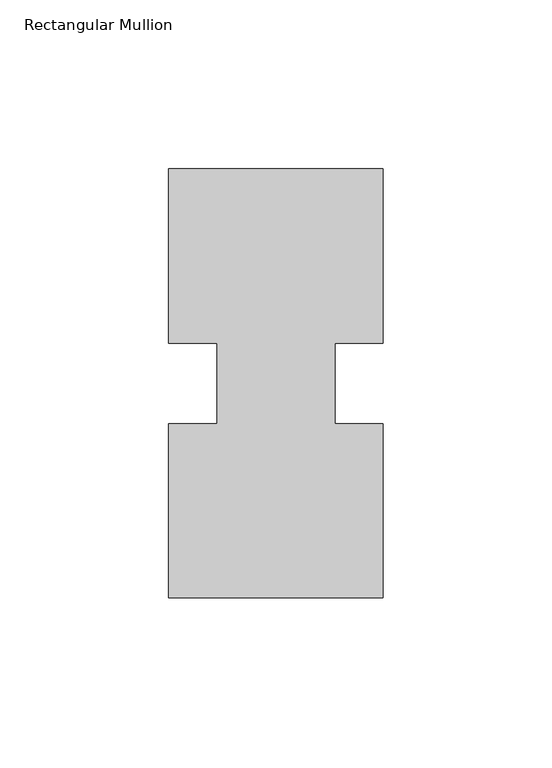
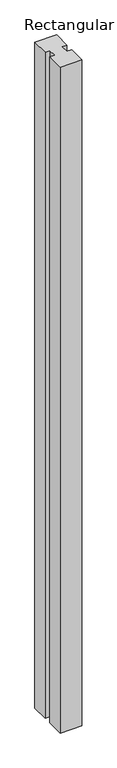
"""IFC4 building model written with IfcOpenShell, lengths in millimetres: member geometry, Rectangular Mullion."""

from ifc_helpers import new_model, si_unit, frame, origin, place, context, project, spatial, polyline, outline, extrude, source, transform, mapped, element, save


def rectangular_mullion_c07a2f49(model_context):
    return source(origin(), model_context, "Body", "SweptSolid", [
        extrude(outline(polyline([(-31.75, 127.00635), (31.75, 127.00635), (31.75, 75.40625), (17.4625, 75.40625), (17.4625, 51.60645), (31.75, 51.60645), (31.75, 0.00635), (-31.75, 0.00635), (-31.75, 51.60645), (-17.4625, 51.60645), (-17.4625, 75.40625), (-31.75, 75.40625), (-31.75, 127.00635)])), frame((0.0, 0.0, -2057.4), z_axis=(0.0, 0.0, 1.0), x_axis=(1.0, 0.0, 0.0)), (0.0, 0.0, 1.0), 2057.4),
    ])


if __name__ == "__main__":
    model = new_model("IFC4")
    model_context = context("Model", 3, world=origin())
    ifc_project = project(units=[si_unit("LENGTHUNIT", "METRE", prefix="MILLI")], contexts=[model_context])
    site = spatial("IfcSite", under=ifc_project)
    building = spatial("IfcBuilding", under=site)
    placement = place(None, origin())
    rectangular_mullion_shape = rectangular_mullion_c07a2f49(model_context)
    element("IfcMember", 1, ObjectType="Rectangular Mullion", at=placement, inside=building, context=model_context, shape_type="MappedRepresentation", body=[
        mapped(rectangular_mullion_shape, transform((0.0, 0.0, 0.0), x_axis=(1.0, 0.0, 0.0), y_axis=(0.0, 1.0, 0.0), z_axis=(0.0, 0.0, 1.0))),
    ])
    save(model, "model.ifc")
